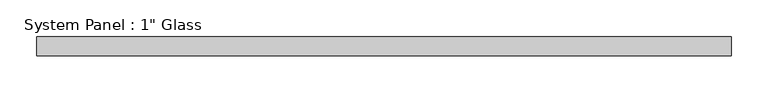
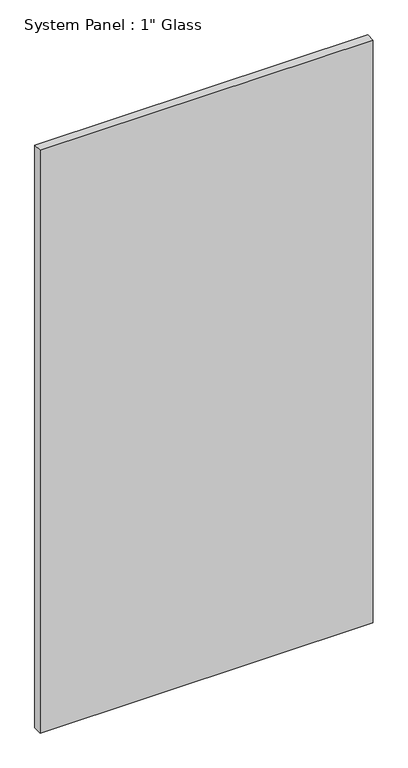
"""IFC4 building model written with IfcOpenShell, lengths in millimetres: plate geometry."""

from ifc_helpers import new_model, si_unit, origin, origin_with_axes, place, context, project, spatial, polyline, outline, extrude, source, transform, mapped, element, save


def plate_f8a7000b(model_context):
    return source(origin(), model_context, "Body", "SweptSolid", [
        extrude(outline(polyline([(470.5784003, -12.7), (-470.5784003, -12.7), (-470.5784003, 12.7), (470.5784003, 12.7), (470.5784003, -12.7)])), origin_with_axes(), (0.0, 0.0, 1.0), 1739.9),
    ])


if __name__ == "__main__":
    model = new_model("IFC4")
    model_context = context("Model", 3, world=origin())
    ifc_project = project(units=[si_unit("LENGTHUNIT", "METRE", prefix="MILLI")], contexts=[model_context])
    site = spatial("IfcSite", under=ifc_project)
    building = spatial("IfcBuilding", under=site)
    placement = place(None, origin())
    plate_shape = plate_f8a7000b(model_context)
    element("IfcPlate", 1, ObjectType="System Panel : 1\" Glass", at=placement, inside=building, context=model_context, shape_type="MappedRepresentation", body=[
        mapped(plate_shape, transform((0.0, 0.0, 0.0), x_axis=(1.0, 0.0, 0.0), y_axis=(0.0, 1.0, 0.0), z_axis=(0.0, 0.0, 1.0))),
    ])
    save(model, "model.ifc")
